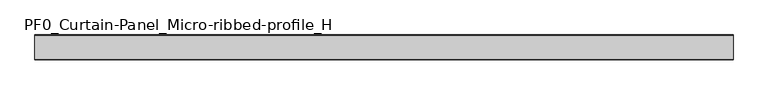
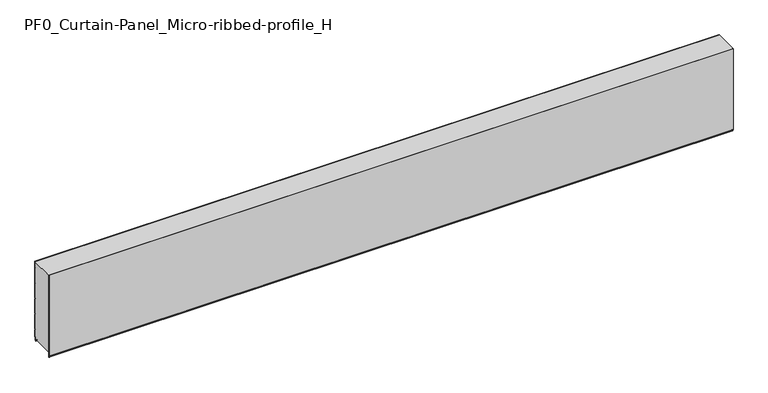
"""IFC4 building model written with IfcOpenShell, lengths in millimetres: plate geometry, PF0_Curtain-Panel_Micro-ribbed-profile_H."""

import ifcopenshell
import ifcopenshell.guid

model = None  # the IFC model being written
_history = None  # IfcOwnerHistory: only IFC2X3 demands one
_inside = {}  # id of a spatial element -> (the spatial element, [elements in it])
_under = {}  # id of a project, library or spatial element -> (it, [spatial elements below it])
_declared = {}  # id of a project -> (the project, [libraries it declares])
_typed = {}  # id of a type object -> (the type object, [elements of that type])
_made_of = {}  # id of a material, layer set ... -> (it, [elements and type objects made of it])


def new_model(schema):
    """Start an empty IFC model of exactly this schema.

    Asked for "IFC4X3", IfcOpenShell would pick the latest addendum, in which some entities
    have other attributes; the version numbers below select the first issue.
    IFC2X3 requires an IfcOwnerHistory on every rooted entity: one is made here for all.
    """
    global model, _history
    if schema == "IFC4X3":
        model = ifcopenshell.file(schema_version=(4, 3, 0, 0))
    else:
        model = ifcopenshell.file(schema=schema)
    _inside.clear()
    _under.clear()
    _declared.clear()
    _typed.clear()
    _made_of.clear()
    _history = None
    if model.schema == "IFC2X3":
        org = make("IfcOrganization", Name="unknown")
        user = make(
            "IfcPersonAndOrganization",
            ThePerson=make("IfcPerson", FamilyName="unknown"),
            TheOrganization=org,
        )
        app = make(
            "IfcApplication",
            ApplicationDeveloper=org,
            Version="unknown",
            ApplicationFullName="unknown",
            ApplicationIdentifier="unknown",
        )
        _history = make(
            "IfcOwnerHistory",
            OwningUser=user,
            OwningApplication=app,
            ChangeAction="ADDED",
            CreationDate=0,
        )
    return model


def make(cls, **values):
    """One entity of the class cls with the attributes given. An attribute that is None is left unset."""
    return model.create_entity(
        cls, **{name: value for name, value in values.items() if value is not None}
    )


def rooted(cls, **values):
    """An entity with a GlobalId (a new one), such as an element, a storey or a relation."""
    return make(cls, GlobalId=ifcopenshell.guid.new(), OwnerHistory=_history, **values)


def si_unit(unit_type, name, prefix=None):
    """IfcSIUnit, for example si_unit("LENGTHUNIT", "METRE", prefix="MILLI")."""
    return make("IfcSIUnit", UnitType=unit_type, Prefix=prefix, Name=name)


def assignment(units):
    """IfcUnitAssignment: the units of a project."""
    return None if units is None else make("IfcUnitAssignment", Units=units)


def point(xyz):
    """IfcCartesianPoint."""
    return None if xyz is None else make("IfcCartesianPoint", Coordinates=xyz)


def direction(xyz):
    """IfcDirection."""
    return None if xyz is None else make("IfcDirection", DirectionRatios=xyz)


def frame(location, z_axis=None, x_axis=None):
    """IfcAxis2Placement3D, a coordinate frame: its origin and axes. An axis left out is left unset."""
    return make(
        "IfcAxis2Placement3D",
        Location=point(location),
        Axis=direction(z_axis),
        RefDirection=direction(x_axis),
    )


def frame_2d(location, x_axis=None):
    """IfcAxis2Placement2D, a coordinate frame in the plane: its origin and x axis."""
    return make(
        "IfcAxis2Placement2D", Location=point(location), RefDirection=direction(x_axis)
    )


def origin():
    """The frame at (0, 0, 0) with its axes left unset."""
    return frame((0.0, 0.0, 0.0))


def place(relative_to, where):
    """IfcLocalPlacement: puts the frame where relative to a parent placement (None: the world)."""
    return make(
        "IfcLocalPlacement", PlacementRelTo=relative_to, RelativePlacement=where
    )


def context(
    kind, dimensions, precision=None, world=None, true_north=None, identifier=None
):
    """IfcGeometricRepresentationContext, for example the 3D "Model" context."""
    return make(
        "IfcGeometricRepresentationContext",
        ContextIdentifier=identifier,
        ContextType=kind,
        CoordinateSpaceDimension=dimensions,
        Precision=precision,
        WorldCoordinateSystem=world,
        TrueNorth=true_north,
    )


def project(units=None, contexts=None):
    """IfcProject with its units and contexts."""
    return rooted(
        "IfcProject",
        Name="project",
        RepresentationContexts=contexts,
        UnitsInContext=assignment(units),
    )


def spatial(cls, under=None, at=None, **own):
    """A site, building, storey or space (cls), placed at a placement, below another one or the project."""
    s = rooted(cls, ObjectPlacement=at, **own)
    if under is not None:
        _under.setdefault(under.id(), (under, []))[1].append(s)
    return s


def polyline(points):
    """IfcPolyline through the points."""
    return make("IfcPolyline", Points=[point(p) for p in points])


def circle_curve(where, radius):
    """IfcCircle in the frame where."""
    return make("IfcCircle", Position=where, Radius=radius)


def trimmed(basis, trim1, trim2, sense, master):
    """IfcTrimmedCurve: the piece of a basis curve between two trims."""
    return make(
        "IfcTrimmedCurve",
        BasisCurve=basis,
        Trim1=trim1,
        Trim2=trim2,
        SenseAgreement=sense,
        MasterRepresentation=master,
    )


def segment(curve, same_sense, transition):
    """IfcCompositeCurveSegment."""
    return make(
        "IfcCompositeCurveSegment",
        Transition=transition,
        SameSense=same_sense,
        ParentCurve=curve,
    )


def composite_curve(segments, self_intersect=None):
    """IfcCompositeCurve: segments joined end to end."""
    return make("IfcCompositeCurve", Segments=segments, SelfIntersect=self_intersect)


def outline(outer, holes=None, kind="AREA"):
    """IfcArbitraryClosedProfileDef: a profile drawn as a closed curve; with holes, ...WithVoids."""
    if holes is None:
        return make("IfcArbitraryClosedProfileDef", ProfileType=kind, OuterCurve=outer)
    return make(
        "IfcArbitraryProfileDefWithVoids",
        ProfileType=kind,
        OuterCurve=outer,
        InnerCurves=holes,
    )


def extrude(swept, where, along, depth):
    """IfcExtrudedAreaSolid: the profile swept, set in the frame where, extruded along a direction by depth."""
    return make(
        "IfcExtrudedAreaSolid",
        SweptArea=swept,
        Position=where,
        ExtrudedDirection=direction(along),
        Depth=depth,
    )


def shape(context_of_items, identifier, shape_type, items):
    """IfcShapeRepresentation: the items that make up one representation, for example the "Body"."""
    return make(
        "IfcShapeRepresentation",
        ContextOfItems=context_of_items,
        RepresentationIdentifier=identifier,
        RepresentationType=shape_type,
        Items=items,
    )


def source(mapping_origin, context_of_items, identifier, shape_type, items):
    """IfcRepresentationMap: a shape defined once, which mapped items show again and again."""
    return make(
        "IfcRepresentationMap",
        MappingOrigin=mapping_origin,
        MappedRepresentation=shape(context_of_items, identifier, shape_type, items),
    )


def transform(
    local_origin,
    x_axis=None,
    y_axis=None,
    z_axis=None,
    scale=None,
    scale2=None,
    scale3=None,
    uniform=True,
):
    """IfcCartesianTransformationOperator3D, or its non-uniform kind. x_axis, y_axis, z_axis: its Axis1, 2, 3."""
    if uniform:
        return make(
            "IfcCartesianTransformationOperator3D",
            Axis1=direction(x_axis),
            Axis2=direction(y_axis),
            LocalOrigin=point(local_origin),
            Scale=scale,
            Axis3=direction(z_axis),
        )
    return make(
        "IfcCartesianTransformationOperator3DnonUniform",
        Axis1=direction(x_axis),
        Axis2=direction(y_axis),
        LocalOrigin=point(local_origin),
        Scale=scale,
        Axis3=direction(z_axis),
        Scale2=scale2,
        Scale3=scale3,
    )


def mapped(mapping_source, mapping_target):
    """IfcMappedItem: shows the shape of a source again, moved by a transform."""
    return make(
        "IfcMappedItem", MappingSource=mapping_source, MappingTarget=mapping_target
    )


def made_of(thing, what):
    """Note that an element or type object is made of a material, layer set ...; save() writes the relation."""
    if what is not None:
        _made_of.setdefault(what.id(), (what, []))[1].append(thing)
    return thing


def element(
    cls,
    number,
    at=None,
    inside=None,
    cuts=None,
    type_object=None,
    material=None,
    context=None,
    identifier="Body",
    shape_type=None,
    held_by="IfcProductDefinitionShape",
    body=None,
    shapes=None,
    **own,
):
    """One element of the class cls, such as IfcWall. Its Tag is "e" and its number.

    at: its placement. inside: the storey or other place that contains it. cuts: it is an
    opening in that element (IfcRelVoidsElement). A single representation is given by context,
    identifier, shape_type and body (its items); several are given by shapes. held_by: the class
    of the entity that holds the representations. save() writes the other relations.
    """
    e = rooted(cls, Tag="e%d" % number, ObjectPlacement=at, **own)
    if body is not None:
        shapes = [shape(context, identifier, shape_type, body)]
    if shapes is not None:
        e.Representation = make(held_by, Representations=shapes)
    if inside is not None:
        _inside.setdefault(inside.id(), (inside, []))[1].append(e)
    if cuts is not None:
        rooted(
            "IfcRelVoidsElement", RelatingBuildingElement=cuts, RelatedOpeningElement=e
        )
    if type_object is not None:
        _typed.setdefault(type_object.id(), (type_object, []))[1].append(e)
    return made_of(e, material)


def aggregate(whole, parts):
    """IfcRelAggregates: a whole, such as a stair, and the parts it consists of."""
    return rooted("IfcRelAggregates", RelatingObject=whole, RelatedObjects=parts)


def save(model, path):
    """Write the relations noted so far, then the file.

    IfcRelAggregates (storeys below a building ...), IfcRelContainedInSpatialStructure (elements
    in a storey), IfcRelDefinesByType, IfcRelAssociatesMaterial and IfcRelDeclares: one each for
    every whole, place, type object, material and project.
    """
    for whole, parts in _under.values():
        aggregate(whole, parts)
    for where, things in _inside.values():
        rooted(
            "IfcRelContainedInSpatialStructure",
            RelatedElements=things,
            RelatingStructure=where,
        )
    for kind, things in _typed.values():
        rooted("IfcRelDefinesByType", RelatedObjects=things, RelatingType=kind)
    for what, things in _made_of.values():
        rooted("IfcRelAssociatesMaterial", RelatedObjects=things, RelatingMaterial=what)
    for by, libraries in _declared.values():
        rooted("IfcRelDeclares", RelatingContext=by, RelatedDefinitions=libraries)
    model.write(path)


def pf0_curtain_panel_micro_ribbed_profile_h_bc311938(model_context):
    return source(origin(), model_context, "Body", "SweptSolid", [
        extrude(outline(composite_curve([segment(polyline([(-15.878557, 0.0), (-20.0, 0.0), (-20.0, 0.8), (-15.878557, 0.8)]), True, "CONTINUOUS"), segment(trimmed(circle_curve(frame_2d((-15.878557, -2.0)), 2.8), [point((-15.878557, 0.8))], [point((-13.1503208, -1.370137))], False, "CARTESIAN"), True, "CONTINUOUS"), segment(polyline([(-13.1503208, -1.370137), (-11.728236, -7.529863)]), True, "CONTINUOUS"), segment(trimmed(circle_curve(frame_2d((-9.0, -6.9)), 2.8), [point((-11.728236, -7.529863))], [point((-6.2, -6.9))], True, "CARTESIAN"), True, "CONTINUOUS"), segment(polyline([(-6.2, -6.9), (-6.2, 8.6)]), True, "CONTINUOUS"), segment(trimmed(circle_curve(frame_2d((-3.4, 8.6)), 2.8), [point((-6.2, 8.6))], [point((-3.4, 11.4))], False, "CARTESIAN"), True, "CONTINUOUS"), segment(polyline([(-3.4, 11.4), (-2.0, 11.4)]), True, "CONTINUOUS"), segment(trimmed(circle_curve(frame_2d((-2.0, 12.6)), 1.2), [point((-2.0, 11.4))], [point((-0.8, 12.6))], True, "CARTESIAN"), True, "CONTINUOUS"), segment(polyline([(-0.8, 12.6), (-0.8, 57.6856412), (-2.482606, 60.6), (-0.8, 63.5143588), (-0.8, 157.6856412), (-2.482606, 160.6), (-0.8, 163.5143588), (-0.8, 257.6856412), (-2.482606, 260.6), (-0.8, 263.5143588), (-0.8, 357.6856412), (-2.482606, 360.6), (-0.8, 363.5143588), (-0.8, 457.6856412), (-2.482606, 460.6), (-0.8, 463.5143588), (-0.8, 500.0), (0.0, 500.0), (0.0, 463.2999995), (-1.5588455, 460.6), (0.0, 457.9000005), (0.0, 363.2999995), (-1.5588455, 360.6), (0.0, 357.9000005), (0.0, 263.2999995), (-1.5588455, 260.6), (0.0, 257.9000005), (0.0, 163.2999995), (-1.5588455, 160.6), (0.0, 157.9000005), (0.0, 63.2999995), (-1.5588455, 60.6), (0.0, 57.9000005), (0.0, 12.6)]), True, "CONTINUOUS"), segment(trimmed(circle_curve(frame_2d((-2.0, 12.6)), 2.0), [point((0.0, 12.6))], [point((-2.0, 10.6))], False, "CARTESIAN"), True, "CONTINUOUS"), segment(polyline([(-2.0, 10.6), (-3.4, 10.6)]), True, "CONTINUOUS"), segment(trimmed(circle_curve(frame_2d((-3.4, 8.6)), 2.0), [point((-3.4, 10.6))], [point((-5.4, 8.6))], True, "CARTESIAN"), True, "CONTINUOUS"), segment(polyline([(-5.4, 8.6), (-5.4, -6.9)]), True, "CONTINUOUS"), segment(trimmed(circle_curve(frame_2d((-9.0, -6.9)), 3.6), [point((-5.4, -6.9))], [point((-12.5077322, -7.7098239))], False, "CARTESIAN"), True, "CONTINUOUS"), segment(polyline([(-12.5077322, -7.7098239), (-13.929817, -1.5500979)]), True, "CONTINUOUS"), segment(trimmed(circle_curve(frame_2d((-15.878557, -2.0)), 2.0), [point((-13.929817, -1.5500979))], [point((-15.878557, 0.0))], True, "CARTESIAN"), True, "CONTINUOUS")], self_intersect=False)), frame((-2100.0, 0.0, 0.0), z_axis=(1.0, 0.0, 0.0), x_axis=(0.0, 1.0, 0.0)), (0.0, 0.0, 1.0), 4200.0),
        extrude(outline(composite_curve([segment(polyline([(-140.0, 0.0), (-143.5, 0.0)]), True, "CONTINUOUS"), segment(trimmed(circle_curve(frame_2d((-143.5, -2.0)), 2.0), [point((-143.5, 0.0))], [point((-145.5, -2.0))], True, "CARTESIAN"), True, "CONTINUOUS"), segment(polyline([(-145.5, -2.0), (-145.5, -33.0)]), True, "CONTINUOUS"), segment(trimmed(circle_curve(frame_2d((-146.5, -33.0)), 1.0), [point((-145.5, -33.0))], [point((-147.5, -33.0))], False, "CARTESIAN"), True, "CONTINUOUS"), segment(polyline([(-147.5, -33.0), (-147.5, -26.9)]), True, "CONTINUOUS"), segment(trimmed(circle_curve(frame_2d((-148.4, -26.9)), 0.9), [point((-147.5, -26.9))], [point((-148.4, -26.0))], True, "CARTESIAN"), True, "CONTINUOUS"), segment(trimmed(circle_curve(frame_2d((-148.4, -24.4)), 1.6), [point((-148.4, -26.0))], [point((-150.0, -24.4))], False, "CARTESIAN"), True, "CONTINUOUS"), segment(polyline([(-150.0, -24.4), (-150.0, 500.0), (-149.2, 500.0), (-149.2, -24.4)]), True, "CONTINUOUS"), segment(trimmed(circle_curve(frame_2d((-148.4, -24.4)), 0.8), [point((-149.2, -24.4))], [point((-148.4, -25.2))], True, "CARTESIAN"), True, "CONTINUOUS"), segment(trimmed(circle_curve(frame_2d((-148.6133333, -26.9)), 1.7133333), [point((-148.4, -25.2))], [point((-146.9, -26.9))], False, "CARTESIAN"), True, "CONTINUOUS"), segment(polyline([(-146.9, -26.9), (-146.9, -32.8700312)]), True, "CONTINUOUS"), segment(trimmed(circle_curve(frame_2d((-146.6, -32.8700312)), 0.3), [point((-146.9, -32.8700312))], [point((-146.3, -32.8700312))], True, "CARTESIAN"), True, "CONTINUOUS"), segment(polyline([(-146.3, -32.8700312), (-146.3, -2.0)]), True, "CONTINUOUS"), segment(trimmed(circle_curve(frame_2d((-143.5, -2.0)), 2.8), [point((-146.3, -2.0))], [point((-143.5, 0.8))], False, "CARTESIAN"), True, "CONTINUOUS"), segment(polyline([(-143.5, 0.8), (-140.0, 0.8), (-140.0, 0.0)]), True, "CONTINUOUS")], self_intersect=False)), frame((-2100.0, 0.0, 0.0), z_axis=(1.0, 0.0, 0.0), x_axis=(0.0, 1.0, 0.0)), (0.0, 0.0, 1.0), 4200.0),
        extrude(outline(composite_curve([segment(polyline([(-140.0, 0.8), (-143.5, 0.8)]), True, "CONTINUOUS"), segment(trimmed(circle_curve(frame_2d((-143.5, -2.0)), 2.8), [point((-143.5, 0.8))], [point((-146.3, -2.0))], True, "CARTESIAN"), True, "CONTINUOUS"), segment(polyline([(-146.3, -2.0), (-146.3, -32.8700312)]), True, "CONTINUOUS"), segment(trimmed(circle_curve(frame_2d((-146.6, -32.8700312)), 0.3), [point((-146.3, -32.8700312))], [point((-146.9, -32.8700312))], False, "CARTESIAN"), True, "CONTINUOUS"), segment(polyline([(-146.9, -32.8700312), (-146.9, -26.9)]), True, "CONTINUOUS"), segment(trimmed(circle_curve(frame_2d((-148.6133333, -26.9)), 1.7133333), [point((-146.9, -26.9))], [point((-148.4, -25.2))], True, "CARTESIAN"), True, "CONTINUOUS"), segment(trimmed(circle_curve(frame_2d((-148.4, -24.4)), 0.8), [point((-148.4, -25.2))], [point((-149.2, -24.4))], False, "CARTESIAN"), True, "CONTINUOUS"), segment(polyline([(-149.2, -24.4), (-149.2, 500.0), (-0.8, 500.0), (-0.8, 463.5143588), (-2.482606, 460.6), (-0.8, 457.6856412), (-0.8, 363.5143588), (-2.482606, 360.6), (-0.8, 357.6856412), (-0.8, 263.5143588), (-2.482606, 260.6), (-0.8, 257.6856412), (-0.8, 163.5143588), (-2.482606, 160.6), (-0.8, 157.6856412), (-0.8, 63.5143588), (-2.482606, 60.6), (-0.8, 57.6856412), (-0.8, 12.6)]), True, "CONTINUOUS"), segment(trimmed(circle_curve(frame_2d((-2.0, 12.6)), 1.2), [point((-0.8, 12.6))], [point((-2.0, 11.4))], False, "CARTESIAN"), True, "CONTINUOUS"), segment(polyline([(-2.0, 11.4), (-3.4, 11.4)]), True, "CONTINUOUS"), segment(trimmed(circle_curve(frame_2d((-3.4, 8.6)), 2.8), [point((-3.4, 11.4))], [point((-6.2, 8.6))], True, "CARTESIAN"), True, "CONTINUOUS"), segment(polyline([(-6.2, 8.6), (-6.2, -6.9)]), True, "CONTINUOUS"), segment(trimmed(circle_curve(frame_2d((-9.0, -6.9)), 2.8), [point((-6.2, -6.9))], [point((-11.7282362, -7.529863))], False, "CARTESIAN"), True, "CONTINUOUS"), segment(polyline([(-11.7282362, -7.529863), (-13.1503208, -1.370137)]), True, "CONTINUOUS"), segment(trimmed(circle_curve(frame_2d((-15.878557, -2.0)), 2.8), [point((-13.1503208, -1.370137))], [point((-15.878557, 0.8))], True, "CARTESIAN"), True, "CONTINUOUS"), segment(polyline([(-15.878557, 0.8), (-20.0, 0.8), (-20.0, 0.0), (-140.0, 0.0), (-140.0, 0.8)]), True, "CONTINUOUS")], self_intersect=False)), frame((-2100.0, 0.0, 0.0), z_axis=(1.0, 0.0, 0.0), x_axis=(0.0, 1.0, 0.0)), (0.0, 0.0, 1.0), 4200.0),
    ])


if __name__ == "__main__":
    model = new_model("IFC4")
    model_context = context("Model", 3, world=origin())
    ifc_project = project(units=[si_unit("LENGTHUNIT", "METRE", prefix="MILLI")], contexts=[model_context])
    site = spatial("IfcSite", under=ifc_project)
    building = spatial("IfcBuilding", under=site)
    placement = place(None, origin())
    pf0_curtain_panel_micro_ribbed_profile_h_shape = pf0_curtain_panel_micro_ribbed_profile_h_bc311938(model_context)
    element("IfcPlate", 1, ObjectType="PF0_Curtain-Panel_Micro-ribbed-profile_H", at=placement, inside=building, context=model_context, shape_type="MappedRepresentation", body=[
        mapped(pf0_curtain_panel_micro_ribbed_profile_h_shape, transform((0.0, 0.0, 0.0), x_axis=(1.0, 0.0, 0.0), y_axis=(0.0, 1.0, 0.0), z_axis=(0.0, 0.0, 1.0))),
    ])
    save(model, "model.ifc")
